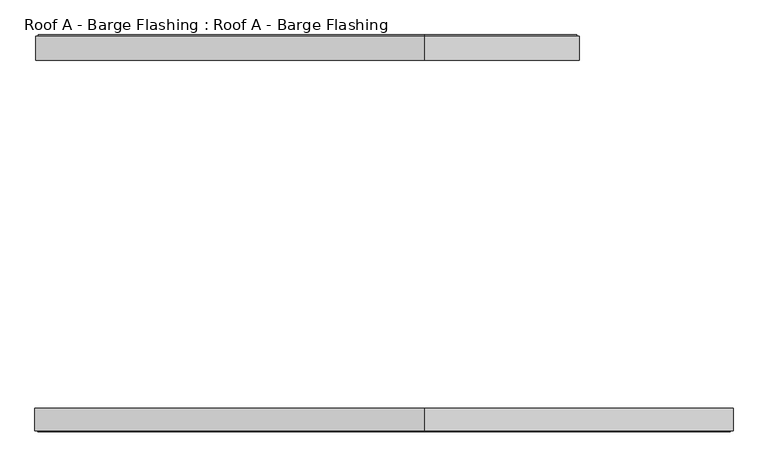
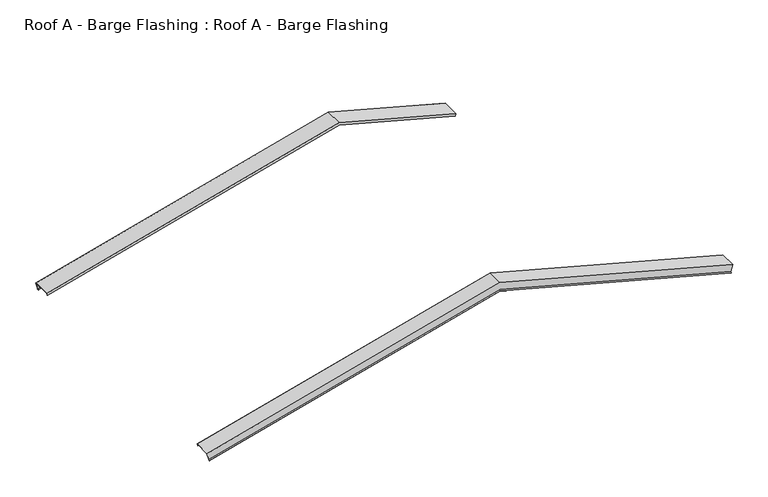
"""IFC4 building model written with IfcOpenShell, lengths in millimetres: proxy geometry, Roof A - Barge Flashing : Roof A - Barge Flashing."""

from ifc_helpers import new_model, si_unit, origin, place, context, project, spatial, faceted_brep, source, transform, mapped, element, save


def roof_a_barge_flashing_roof_a_barge_flashing_695168ec(model_context):
    return source(origin(), model_context, "Body", "Brep", [
        faceted_brep([(5490.8450047, 4581.7478087, 5751.4040697), (5490.8450047, 4892.8954809, 5751.4040697), (5460.2618558, 4892.8954809, 5637.2662041), (5456.7088081, 4906.623403, 5624.0060497), (5454.1466302, 4896.7239081, 5614.4438718), (5453.9636175, 4897.4310148, 5613.7608591), (5456.7088081, 4908.0376166, 5624.0060497), (5460.3690621, 4893.8954809, 5637.6663037), (5491.1038237, 4893.8954809, 5752.3699956), (5491.1038237, 4580.7478087, 5752.3699956), (5480.4922429, 4580.7478087, 5712.7670367), (5480.4922429, 4581.7478087, 5712.7670367), (3500.0, 4581.7478087, 6243.4383338), (-1470.0326752, 4581.7478087, 4911.7220921), (-1480.385437, 4581.7478087, 4950.3591251), (3500.0, 4581.7478087, 6284.849381), (3500.0, 4580.7478087, 6243.4383338), (3500.0, 4580.7478087, 6285.8846572), (-1480.6442561, 4580.7478087, 4951.325051), (-1470.0326752, 4580.7478087, 4911.7220921), (3500.0, 4893.8954809, 6285.8846572), (3500.0, 4893.8954809, 6162.9456108), (-1449.9094945, 4893.8954809, 4836.6213591), (-1480.6442561, 4893.8954809, 4951.325051), (3500.0, 4908.0376166, 6148.3045946), (3500.0, 4897.4310148, 6137.3238325), (3500.0, 4896.7239081, 6138.0558833), (3500.0, 4906.623403, 6148.3045946), (3500.0, 4892.8954809, 6162.5167853), (3500.0, 4892.8954809, 6284.849381), (-1480.385437, 4892.8954809, 4950.3591251), (-1449.8022881, 4892.8954809, 4836.2212595), (-1446.2492404, 4908.0376166, 4822.9611051), (-1443.5040499, 4897.4310148, 4812.7159145), (-1443.6870626, 4896.7239081, 4813.3989272), (-1446.2492404, 4906.623403, 4822.9611051)], [[[0, 1, 2, 3, 4, 5, 6, 7, 8, 9, 10, 11]], [[0, 11, 12, 13, 14, 15]], [[11, 10, 16, 12]], [[10, 9, 17, 18, 19, 16]], [[9, 8, 20, 17]], [[8, 7, 21, 22, 23, 20]], [[7, 6, 24, 21]], [[6, 5, 25, 24]], [[5, 4, 26, 25]], [[4, 3, 27, 26]], [[3, 2, 28, 27]], [[2, 1, 29, 30, 31, 28]], [[1, 0, 15, 29]], [[14, 13, 19, 18, 23, 22, 32, 33, 34, 35, 31, 30]], [[12, 16, 19, 13]], [[17, 20, 23, 18]], [[21, 24, 32, 22]], [[24, 25, 33, 32]], [[25, 26, 34, 33]], [[26, 27, 35, 34]], [[27, 28, 31, 35]], [[29, 15, 14, 30]]]),
        faceted_brep([(7461.3336903, 121.7598452, 5223.4132177), (7450.9809285, 121.7598452, 5184.7761847), (7450.9809285, 122.7598452, 5184.7761847), (7461.5925093, 122.7598452, 5224.3791436), (7461.5925093, -167.8878271, 5224.3791436), (7430.8577477, -167.8878271, 5109.6754517), (7427.1974937, -182.0299627, 5096.0151976), (7424.4523032, -171.423361, 5085.7700071), (7424.6353159, -170.7162542, 5086.4530198), (7427.1974937, -180.6157491, 5096.0151976), (7430.7505414, -166.8878271, 5109.2753521), (7461.3336903, -166.8878271, 5223.4132177), (3500.0, 121.7598452, 6284.849381), (-1490.0446953, 121.7598452, 4947.7709347), (-1479.6919335, 121.7598452, 4909.1339016), (3500.0, 121.7598452, 6243.4383338), (3500.0, 122.7598452, 6243.4383338), (-1479.6919335, 122.7598452, 4909.1339016), (-1490.3035143, 122.7598452, 4948.7368605), (3500.0, 122.7598452, 6285.8846572), (3500.0, -167.8878271, 6285.8846572), (-1490.3035143, -167.8878271, 4948.7368605), (-1459.5687527, -167.8878271, 4834.0331687), (3500.0, -167.8878271, 6162.9456108), (3500.0, -182.0299627, 6148.3045946), (3500.0, -171.423361, 6137.3238325), (3500.0, -170.7162542, 6138.0558833), (3500.0, -180.6157491, 6148.3045946), (3500.0, -166.8878271, 6162.5167853), (-1459.4615464, -166.8878271, 4833.6330691), (-1490.0446953, -166.8878271, 4947.7709347), (3500.0, -166.8878271, 6284.849381), (-1455.9084987, -180.6157491, 4820.3729146), (-1453.3463209, -170.7162542, 4810.8107368), (-1453.1633082, -171.423361, 4810.1277241), (-1455.9084987, -182.0299627, 4820.3729146)], [[[0, 1, 2, 3, 4, 5, 6, 7, 8, 9, 10, 11]], [[1, 0, 12, 13, 14, 15]], [[2, 1, 15, 16]], [[3, 2, 16, 17, 18, 19]], [[4, 3, 19, 20]], [[5, 4, 20, 21, 22, 23]], [[6, 5, 23, 24]], [[7, 6, 24, 25]], [[8, 7, 25, 26]], [[9, 8, 26, 27]], [[10, 9, 27, 28]], [[11, 10, 28, 29, 30, 31]], [[0, 11, 31, 12]], [[13, 30, 29, 32, 33, 34, 35, 22, 21, 18, 17, 14]], [[16, 15, 14, 17]], [[20, 19, 18, 21]], [[24, 23, 22, 35]], [[25, 24, 35, 34]], [[26, 25, 34, 33]], [[27, 26, 33, 32]], [[28, 27, 32, 29]], [[12, 31, 30, 13]]]),
    ])


if __name__ == "__main__":
    model = new_model("IFC4")
    model_context = context("Model", 3, world=origin())
    ifc_project = project(units=[si_unit("LENGTHUNIT", "METRE", prefix="MILLI")], contexts=[model_context])
    site = spatial("IfcSite", under=ifc_project)
    building = spatial("IfcBuilding", under=site)
    placement = place(None, origin())
    roof_a_barge_flashing_roof_a_barge_flashing_shape = roof_a_barge_flashing_roof_a_barge_flashing_695168ec(model_context)
    element("IfcBuildingElementProxy", 1, Name="Roof A - Barge Flashing : Roof A - Barge Flashing", ObjectType="Roof A - Barge Flashing : Roof A - Barge Flashing", at=placement, inside=building, context=model_context, shape_type="MappedRepresentation", body=[
        mapped(roof_a_barge_flashing_roof_a_barge_flashing_shape, transform((0.0, 0.0, 0.0), x_axis=(1.0, 0.0, 0.0), y_axis=(0.0, 1.0, 0.0), z_axis=(0.0, 0.0, 1.0))),
    ])
    save(model, "model.ifc")
